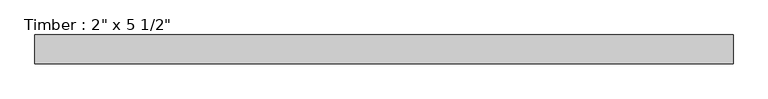
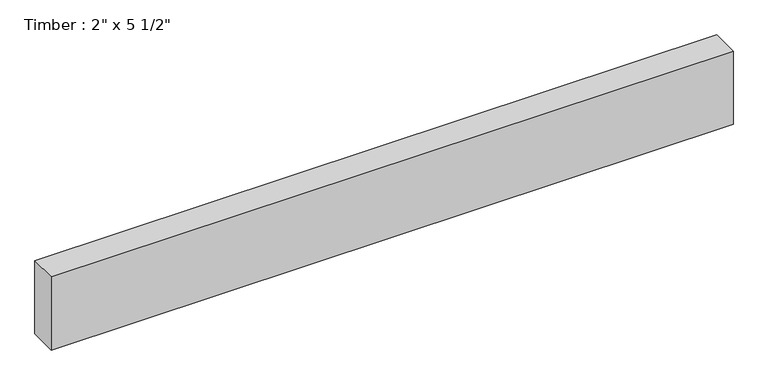
"""IFC4 building model written with IfcOpenShell, lengths in millimetres: beam geometry."""

from ifc_helpers import new_model, si_unit, frame, origin, place, context, project, spatial, polyline, outline, extrude, source, transform, mapped, element, save


def beam_ac0e26cc(model_context):
    return source(origin(), model_context, "Body", "SweptSolid", [
        extrude(outline(polyline([(615.95, 25.4), (615.95, -25.4), (-615.95, -25.4), (-615.95, 25.4), (615.95, 25.4)])), frame((0.0, 0.0, -69.85), z_axis=(0.0, 0.0, 1.0), x_axis=(1.0, 0.0, 0.0)), (0.0, 0.0, 1.0), 139.7),
    ])


if __name__ == "__main__":
    model = new_model("IFC4")
    model_context = context("Model", 3, world=origin())
    ifc_project = project(units=[si_unit("LENGTHUNIT", "METRE", prefix="MILLI")], contexts=[model_context])
    site = spatial("IfcSite", under=ifc_project)
    building = spatial("IfcBuilding", under=site)
    placement = place(None, origin())
    beam_shape = beam_ac0e26cc(model_context)
    element("IfcBeam", 1, ObjectType="Timber : 2\" x 5 1/2\"", at=placement, inside=building, context=model_context, shape_type="MappedRepresentation", body=[
        mapped(beam_shape, transform((0.0, 0.0, 0.0), x_axis=(1.0, 0.0, 0.0), y_axis=(0.0, 1.0, 0.0), z_axis=(0.0, 0.0, 1.0))),
    ])
    save(model, "model.ifc")
